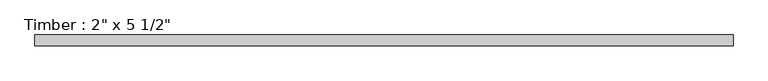
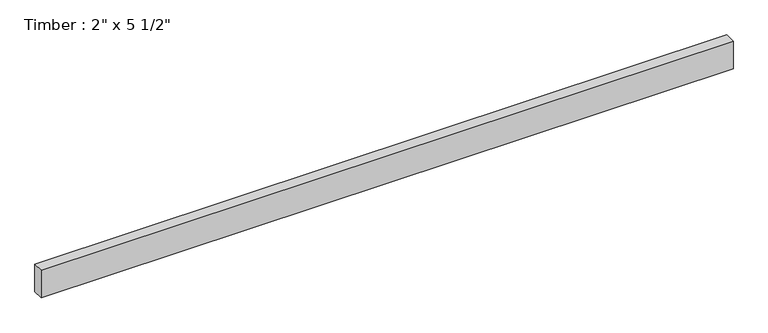
"""IFC4 building model written with IfcOpenShell, lengths in millimetres: beam geometry."""

from ifc_helpers import new_model, si_unit, frame, origin, place, context, project, spatial, polyline, outline, extrude, source, transform, mapped, element, save


def beam_def71a54(model_context):
    return source(origin(), model_context, "Body", "SweptSolid", [
        extrude(outline(polyline([(1651.589932, 25.4), (1651.589932, -25.4), (-1651.589932, -25.4), (-1651.589932, 25.4), (1651.589932, 25.4)])), frame((0.0, 0.0, -69.85), z_axis=(0.0, 0.0, 1.0), x_axis=(1.0, 0.0, 0.0)), (0.0, 0.0, 1.0), 139.7),
    ])


if __name__ == "__main__":
    model = new_model("IFC4")
    model_context = context("Model", 3, world=origin())
    ifc_project = project(units=[si_unit("LENGTHUNIT", "METRE", prefix="MILLI")], contexts=[model_context])
    site = spatial("IfcSite", under=ifc_project)
    building = spatial("IfcBuilding", under=site)
    placement = place(None, origin())
    beam_shape = beam_def71a54(model_context)
    element("IfcBeam", 1, ObjectType="Timber : 2\" x 5 1/2\"", at=placement, inside=building, context=model_context, shape_type="MappedRepresentation", body=[
        mapped(beam_shape, transform((0.0, 0.0, 0.0), x_axis=(1.0, 0.0, 0.0), y_axis=(0.0, 1.0, 0.0), z_axis=(0.0, 0.0, 1.0))),
    ])
    save(model, "model.ifc")
